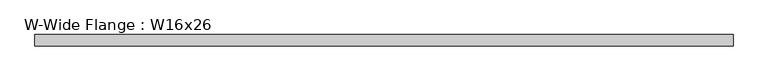
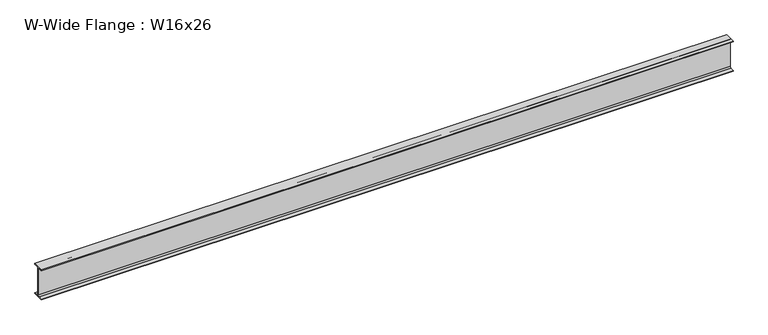
"""IFC4 building model written with IfcOpenShell, lengths in millimetres: beam geometry, W-Wide Flange : W16x26."""

from ifc_helpers import new_model, si_unit, point, frame, frame_2d, origin, place, context, project, spatial, polyline, circle_curve, trimmed, segment, composite_curve, outline, extrude, source, transform, mapped, element, save


def w_wide_flange_w16x26_866a686f(model_context):
    return source(origin(), model_context, "Body", "SweptSolid", [
        extrude(outline(composite_curve([segment(polyline([(69.85, -190.627), (69.85, -199.39), (-69.85, -199.39), (-69.85, -190.627), (-21.3995, -190.627)]), True, "CONTINUOUS"), segment(trimmed(circle_curve(frame_2d((-21.3995, -172.4025)), 18.2245), [point((-21.3995, -190.627))], [point((-3.175, -172.4025))], True, "CARTESIAN"), True, "CONTINUOUS"), segment(polyline([(-3.175, -172.4025), (-3.175, 172.4025)]), True, "CONTINUOUS"), segment(trimmed(circle_curve(frame_2d((-21.3995, 172.4025)), 18.2245), [point((-3.175, 172.4025))], [point((-21.3995, 190.627))], True, "CARTESIAN"), True, "CONTINUOUS"), segment(polyline([(-21.3995, 190.627), (-69.85, 190.627), (-69.85, 199.39), (69.85, 199.39), (69.85, 190.627), (21.3995, 190.627)]), True, "CONTINUOUS"), segment(trimmed(circle_curve(frame_2d((21.3995, 172.4025)), 18.2245), [point((21.3995, 190.627))], [point((3.175, 172.4025))], True, "CARTESIAN"), True, "CONTINUOUS"), segment(polyline([(3.175, 172.4025), (3.175, -172.4025)]), True, "CONTINUOUS"), segment(trimmed(circle_curve(frame_2d((21.3995, -172.4025)), 18.2245), [point((3.175, -172.4025))], [point((21.3995, -190.627))], True, "CARTESIAN"), True, "CONTINUOUS"), segment(polyline([(21.3995, -190.627), (69.85, -190.627)]), True, "CONTINUOUS")], self_intersect=False)), frame((-4420.760831, 0.0, 0.0), z_axis=(1.0, 0.0, 0.0), x_axis=(0.0, 1.0, 0.0)), (0.0, 0.0, 1.0), 8717.0382105),
    ])


if __name__ == "__main__":
    model = new_model("IFC4")
    model_context = context("Model", 3, world=origin())
    ifc_project = project(units=[si_unit("LENGTHUNIT", "METRE", prefix="MILLI")], contexts=[model_context])
    site = spatial("IfcSite", under=ifc_project)
    building = spatial("IfcBuilding", under=site)
    placement = place(None, origin())
    w_wide_flange_w16x26_shape = w_wide_flange_w16x26_866a686f(model_context)
    element("IfcBeam", 1, ObjectType="W-Wide Flange : W16x26", at=placement, inside=building, context=model_context, shape_type="MappedRepresentation", body=[
        mapped(w_wide_flange_w16x26_shape, transform((0.0, 0.0, 0.0), x_axis=(1.0, 0.0, 0.0), y_axis=(0.0, 1.0, 0.0), z_axis=(0.0, 0.0, 1.0))),
    ])
    save(model, "model.ifc")
